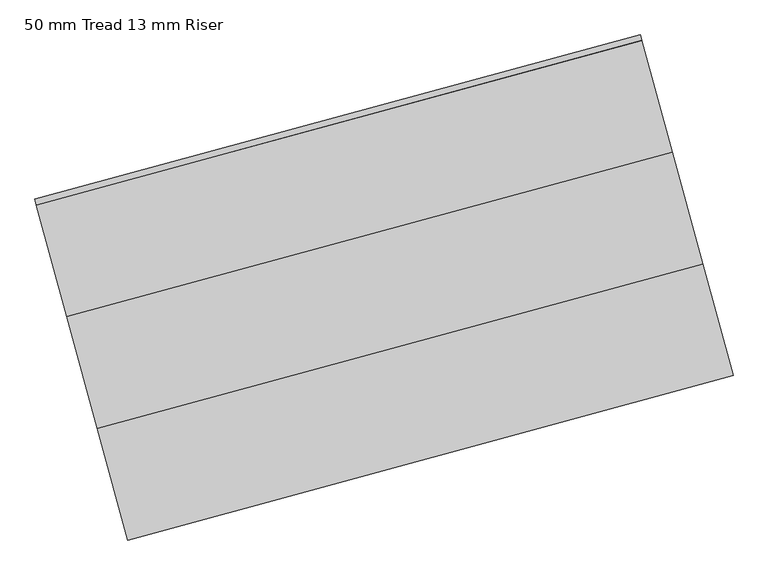
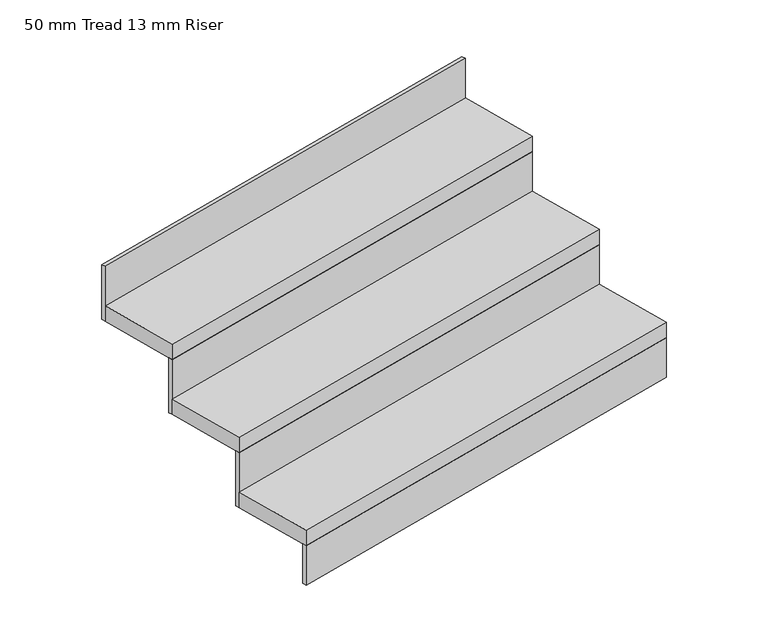
"""IFC4 building model written with IfcOpenShell, lengths in millimetres: stair flight geometry, 50 mm Tread 13 mm Riser."""

from ifc_helpers import new_model, si_unit, frame, origin, origin_with_axes, place, context, project, spatial, polyline, outline, extrude, source, transform, mapped, element, save


def stair_flight_50_mm_tread_13_mm_riser_fa2b74bf(model_context):
    return source(origin(), model_context, "Body", "SweptSolid", [
        extrude(outline(polyline([(168981.5358735, 75247.567937), (168984.814484, 75235.5055693), (167678.3700935, 74880.407601), (167675.0914831, 74892.4699686), (168981.5358735, 75247.567937)])), origin_with_axes(), (0.0, 0.0, 1.0), 127.7777778),
        extrude(outline(polyline([(167612.7978843, 75121.654954), (168919.2422747, 75476.7529224), (168984.814484, 75235.5055693), (167678.3700935, 74880.407601), (167612.7978843, 75121.654954)])), frame((0.0, 0.0, 127.7777778), z_axis=(0.0, 0.0, 1.0), x_axis=(1.0, 0.0, 0.0)), (0.0, 0.0, 1.0), 50.0),
        extrude(outline(polyline([(168915.9636643, 75488.8152901), (168919.2422747, 75476.7529224), (167612.7978843, 75121.654954), (167609.5192738, 75133.7173217), (168915.9636643, 75488.8152901)])), frame((0.0, 0.0, 127.7777778), z_axis=(0.0, 0.0, 1.0), x_axis=(1.0, 0.0, 0.0)), (0.0, 0.0, 1.0), 177.7777778),
        extrude(outline(polyline([(167547.225675, 75362.9023071), (168853.6700655, 75718.0002755), (168919.2422747, 75476.7529224), (167612.7978843, 75121.654954), (167547.225675, 75362.9023071)])), frame((0.0, 0.0, 305.5555556), z_axis=(0.0, 0.0, 1.0), x_axis=(1.0, 0.0, 0.0)), (0.0, 0.0, 1.0), 50.0),
        extrude(outline(polyline([(168850.391455, 75730.0626432), (168853.6700655, 75718.0002755), (167547.225675, 75362.9023071), (167543.9470645, 75374.9646748), (168850.391455, 75730.0626432)])), frame((0.0, 0.0, 305.5555556), z_axis=(0.0, 0.0, 1.0), x_axis=(1.0, 0.0, 0.0)), (0.0, 0.0, 1.0), 177.7777778),
        extrude(outline(polyline([(168784.8192458, 75971.3099962), (168788.0978562, 75959.2476286), (167481.6534658, 75604.1496602), (167478.3748553, 75616.2120279), (168784.8192458, 75971.3099962)])), frame((0.0, 0.0, 483.3333333), z_axis=(0.0, 0.0, 1.0), x_axis=(1.0, 0.0, 0.0)), (0.0, 0.0, 1.0), 177.7777778),
        extrude(outline(polyline([(167481.6534658, 75604.1496602), (168788.0978562, 75959.2476286), (168853.6700655, 75718.0002755), (167547.225675, 75362.9023071), (167481.6534658, 75604.1496602)])), frame((0.0, 0.0, 483.3333333), z_axis=(0.0, 0.0, 1.0), x_axis=(1.0, 0.0, 0.0)), (0.0, 0.0, 1.0), 50.0),
    ])


if __name__ == "__main__":
    model = new_model("IFC4")
    model_context = context("Model", 3, world=origin())
    ifc_project = project(units=[si_unit("LENGTHUNIT", "METRE", prefix="MILLI")], contexts=[model_context])
    site = spatial("IfcSite", under=ifc_project)
    building = spatial("IfcBuilding", under=site)
    placement = place(None, origin())
    stair_flight_50_mm_tread_13_mm_riser_shape = stair_flight_50_mm_tread_13_mm_riser_fa2b74bf(model_context)
    element("IfcStairFlight", 1, ObjectType="50 mm Tread 13 mm Riser", at=placement, inside=building, context=model_context, shape_type="MappedRepresentation", body=[
        mapped(stair_flight_50_mm_tread_13_mm_riser_shape, transform((0.0, 0.0, 0.0), x_axis=(1.0, 0.0, 0.0), y_axis=(0.0, 1.0, 0.0), z_axis=(0.0, 0.0, 1.0))),
    ])
    save(model, "model.ifc")
